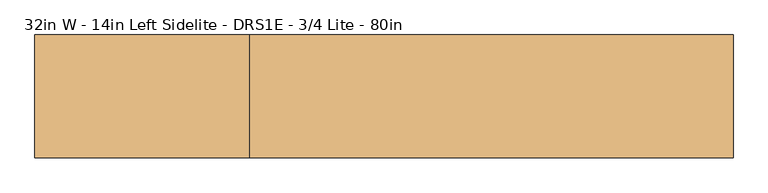
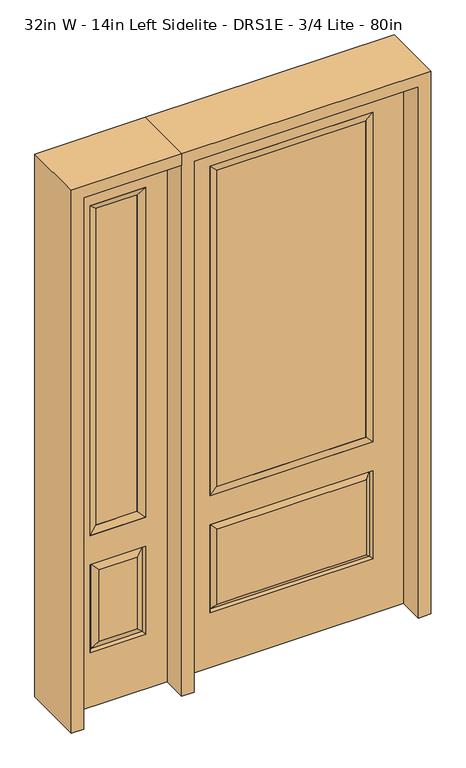
"""IFC4 building model written with IfcOpenShell, lengths in millimetres: door geometry, 32in W - 14in Left Sidelite - DRS1E - 3/4 Lite - 80in."""

from ifc_helpers import new_model, si_unit, frame, origin, place, context, project, spatial, polyline, outline, extrude, faceted_brep, source, transform, mapped, element, save


def door_32in_w_14in_left_sidelite_drs1e_3_4_lite_80in_56f27db4(model_context):
    return source(origin(), model_context, "Body", "SolidModel", [
        faceted_brep([(-806.45, -22.225, 0.0), (-450.85, -22.225, 0.0), (-450.85, -22.225, 2032.0), (-806.45, -22.225, 2032.0), (-528.32, -22.225, 1919.224), (-528.32, -22.225, 657.098), (-728.98, -22.225, 657.098), (-728.98, -22.225, 1919.224), (-528.32, -22.225, 209.55), (-728.98, -22.225, 209.55), (-728.98, -22.225, 546.1), (-528.32, -22.225, 546.1), (-697.2648999, -22.225, 241.2651001), (-560.0351001, -22.225, 241.2651001), (-560.0351001, -22.225, 514.3848999), (-697.2648999, -22.225, 514.3848999), (-806.45, 22.225, 0.0), (-806.45, 22.225, 2032.0), (-450.85, 22.225, 2032.0), (-450.85, 22.225, 0.0), (-528.32, 22.225, 1919.224), (-728.98, 22.225, 1919.224), (-728.98, 22.225, 657.098), (-528.32, 22.225, 657.098), (-728.98, 22.225, 209.55), (-528.32, 22.225, 209.55), (-528.32, 22.225, 546.1), (-728.98, 22.225, 546.1), (-560.0351001, 22.225, 241.2651001), (-697.2648999, 22.225, 241.2651001), (-697.2648999, 22.225, 514.3848999), (-560.0351001, 22.225, 514.3848999), (-535.4288501, 12.7912373, 216.6588501), (-721.8711499, 12.7912373, 216.6588501), (-721.8711499, 12.7912373, 538.9911499), (-535.4288501, 12.7912373, 538.9911499), (-721.8711499, -12.7912373, 216.6588501), (-535.4288501, -12.7912373, 216.6588501), (-721.8711499, -12.7912373, 538.9911499), (-535.4288501, -12.7912373, 538.9911499)], [[[0, 1, 2, 3], [4, 5, 6, 7], [8, 9, 10, 11]], [[12, 13, 14, 15]], [[16, 17, 18, 19], [20, 21, 22, 23], [24, 25, 26, 27]], [[28, 29, 30, 31]], [[1, 0, 16, 19]], [[2, 1, 19, 18]], [[3, 2, 18, 17]], [[0, 3, 17, 16]], [[5, 4, 20, 23]], [[6, 5, 23, 22]], [[7, 6, 22, 21]], [[4, 7, 21, 20]], [[32, 33, 29, 28]], [[33, 32, 25, 24]], [[29, 33, 34, 30]], [[33, 24, 27, 34]], [[30, 34, 35, 31]], [[34, 27, 26, 35]], [[32, 28, 31, 35]], [[25, 32, 35, 26]], [[12, 36, 37, 13]], [[37, 36, 9, 8]], [[36, 12, 15, 38]], [[9, 36, 38, 10]], [[38, 15, 14, 39]], [[10, 38, 39, 11]], [[13, 37, 39, 14]], [[37, 8, 11, 39]]]),
        faceted_brep([(-728.98, 22.225, 1919.224), (-728.98, -22.225, 1919.224), (-528.32, -22.225, 1919.224), (-528.32, 22.225, 1919.224), (-703.58, 12.7, 1893.824), (-553.72, 12.7, 1893.824), (-703.58, -12.7, 1893.824), (-553.72, -12.7, 1893.824), (-528.32, -22.225, 657.098), (-528.32, 22.225, 657.098), (-553.72, 12.7, 682.498), (-553.72, -12.7, 682.498), (-728.98, -22.225, 657.098), (-728.98, 22.225, 657.098), (-703.58, 12.7, 682.498), (-703.58, -12.7, 682.498)], [[[0, 1, 2, 3]], [[4, 0, 3, 5]], [[6, 4, 5, 7]], [[1, 6, 7, 2]], [[3, 2, 8, 9]], [[5, 3, 9, 10]], [[7, 5, 10, 11]], [[2, 7, 11, 8]], [[9, 8, 12, 13]], [[10, 9, 13, 14]], [[11, 10, 14, 15]], [[8, 11, 15, 12]], [[13, 12, 1, 0]], [[14, 13, 0, 4]], [[15, 14, 4, 6]], [[12, 15, 6, 1]]]),
        extrude(outline(polyline([(-553.72, -12.7), (-703.58, -12.7), (-703.58, 12.7), (-553.72, 12.7), (-553.72, -12.7)])), frame((0.0, 0.0, 682.498), z_axis=(0.0, 0.0, 1.0), x_axis=(1.0, 0.0, 0.0)), (0.0, 0.0, 1.0), 1211.326),
        faceted_brep([(-288.1661499, -12.7912373, 216.6588501), (288.1661499, -12.7912373, 216.6588501), (270.66875, -22.225, 234.15625), (-270.66875, -22.225, 234.15625), (-295.275, -22.225, 209.55), (295.275, -22.225, 209.55), (-288.1661499, -12.7912373, 538.9911499), (-295.275, -22.225, 546.1), (270.66875, -22.225, 521.49375), (-270.66875, -22.225, 521.49375), (406.4, -22.225, 2032.0), (-406.4, -22.225, 2032.0), (-406.4, -22.225, 0.0), (406.4, -22.225, 0.0), (295.275, -22.225, 546.1), (295.275, -22.225, 1917.7), (295.275, -22.225, 657.098), (-295.275, -22.225, 657.098), (-295.275, -22.225, 1917.7), (288.1661499, -12.7912373, 538.9911499), (-406.4, 22.225, 2032.0), (-406.4, 22.225, 0.0), (406.4, 22.225, 0.0), (406.4, 22.225, 2032.0), (295.275, 22.225, 1917.7), (295.275, 22.225, 657.098), (-295.275, 22.225, 657.098), (-295.275, 22.225, 1917.7), (-295.275, 22.225, 209.55), (295.275, 22.225, 209.55), (295.275, 22.225, 546.1), (-295.275, 22.225, 546.1), (270.66875, 22.225, 234.15625), (-270.66875, 22.225, 234.15625), (-270.66875, 22.225, 521.49375), (270.66875, 22.225, 521.49375), (-288.1661499, 12.7912373, 216.6588501), (288.1661499, 12.7912373, 216.6588501), (288.1661499, 12.7912373, 538.9911499), (-288.1661499, 12.7912373, 538.9911499)], [[[0, 1, 2, 3]], [[1, 0, 4, 5]], [[4, 0, 6, 7]], [[3, 2, 8, 9]], [[10, 11, 12, 13], [5, 4, 7, 14], [15, 16, 17, 18]], [[1, 5, 14, 19]], [[2, 1, 19, 8]], [[0, 3, 9, 6]], [[7, 6, 19, 14]], [[6, 9, 8, 19]], [[12, 11, 20, 21]], [[13, 12, 21, 22]], [[10, 13, 22, 23]], [[16, 15, 24, 25]], [[17, 16, 25, 26]], [[18, 17, 26, 27]], [[23, 22, 21, 20], [28, 29, 30, 31], [24, 27, 26, 25]], [[32, 33, 34, 35]], [[28, 36, 37, 29]], [[29, 37, 38, 30]], [[39, 31, 30, 38]], [[36, 28, 31, 39]], [[37, 36, 33, 32]], [[33, 36, 39, 34]], [[34, 39, 38, 35]], [[37, 32, 35, 38]], [[11, 10, 23, 20]], [[15, 18, 27, 24]]]),
        faceted_brep([(-295.275, -22.225, 1917.7), (-295.275, 22.225, 1917.7), (-295.275, 22.225, 657.098), (-295.275, -22.225, 657.098), (295.275, 22.225, 657.098), (295.275, -22.225, 657.098), (-269.875, 5.08, 682.498), (269.875, 5.08, 682.498), (295.275, 22.225, 1917.7), (295.275, -22.225, 1917.7), (-269.875, -20.32, 682.498), (269.875, -20.32, 682.498), (-269.875, -20.32, 1892.3), (269.875, -20.32, 1892.3), (-269.875, 5.08, 1892.3), (269.875, 5.08, 1892.3)], [[[0, 1, 2, 3]], [[3, 2, 4, 5]], [[2, 6, 7, 4]], [[5, 4, 8, 9]], [[10, 3, 5, 11]], [[12, 0, 3, 10]], [[11, 5, 9, 13]], [[6, 10, 11, 7]], [[14, 12, 10, 6]], [[7, 11, 13, 15]], [[1, 14, 6, 2]], [[4, 7, 15, 8]], [[9, 8, 1, 0]], [[13, 9, 0, 12]], [[15, 13, 12, 14]], [[8, 15, 14, 1]]]),
        extrude(outline(polyline([(269.875, -20.32), (-269.875, -20.32), (-269.875, 5.08), (269.875, 5.08), (269.875, -20.32)])), frame((0.0, 0.0, 682.498), z_axis=(0.0, 0.0, 1.0), x_axis=(1.0, 0.0, 0.0)), (0.0, 0.0, 1.0), 1209.802),
        extrude(outline(polyline([(2032.0, -450.85), (2076.45, -450.85), (2076.45, -850.9), (0.0, -850.9), (0.0, -806.45), (2032.0, -806.45), (2032.0, -450.85)])), frame((0.0, -114.3, 0.0), z_axis=(0.0, 1.0, 0.0), x_axis=(0.0, 0.0, 1.0)), (0.0, 0.0, 1.0), 228.6),
        extrude(outline(polyline([(2076.45, -450.85), (0.0, -450.85), (0.0, -406.4), (2032.0, -406.4), (2032.0, 406.4), (0.0, 406.4), (0.0, 450.85), (2076.45, 450.85), (2076.45, -450.85)])), frame((0.0, -114.3, 0.0), z_axis=(0.0, 1.0, 0.0), x_axis=(0.0, 0.0, 1.0)), (0.0, 0.0, 1.0), 228.6),
    ])


if __name__ == "__main__":
    model = new_model("IFC4")
    model_context = context("Model", 3, world=origin())
    ifc_project = project(units=[si_unit("LENGTHUNIT", "METRE", prefix="MILLI")], contexts=[model_context])
    site = spatial("IfcSite", under=ifc_project)
    building = spatial("IfcBuilding", under=site)
    placement = place(None, origin())
    door_32in_w_14in_left_sidelite_drs1e_3_4_lite_80in_shape = door_32in_w_14in_left_sidelite_drs1e_3_4_lite_80in_56f27db4(model_context)
    element("IfcDoor", 1, ObjectType="32in W - 14in Left Sidelite - DRS1E - 3/4 Lite - 80in", at=placement, inside=building, context=model_context, shape_type="MappedRepresentation", body=[
        mapped(door_32in_w_14in_left_sidelite_drs1e_3_4_lite_80in_shape, transform((0.0, 0.0, 0.0), x_axis=(1.0, 0.0, 0.0), y_axis=(0.0, 1.0, 0.0), z_axis=(0.0, 0.0, 1.0))),
    ])
    save(model, "model.ifc")
